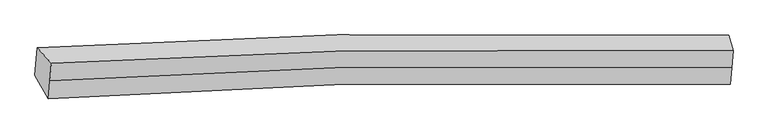
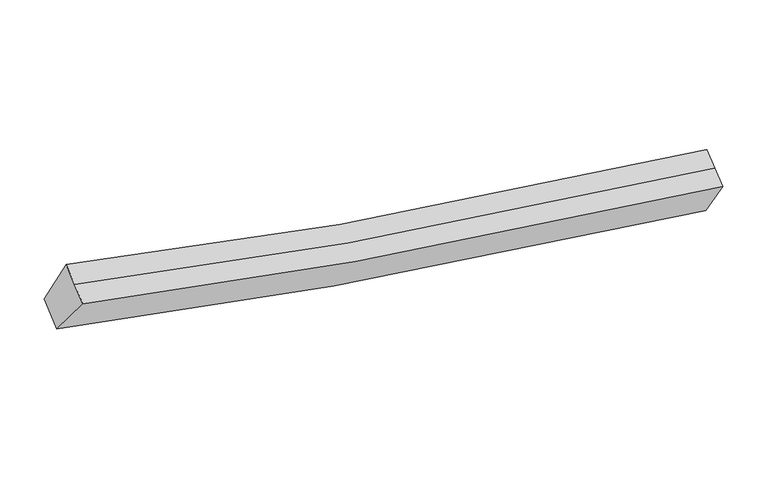
"""IFC4 building model written with IfcOpenShell, lengths in millimetres: proxy geometry."""

from ifc_helpers import new_model, si_unit, frame, origin, place, context, project, spatial, source, transform, mapped, element, save
from ifc_brep_helpers import plane_surface, spline_curve, spline_surface, advanced_brep


def generic_models_1c305ca0(model_context):
    return source(origin(), model_context, "Body", "AdvancedBrep", [
        advanced_brep(
        [(-4735.6046265, -1829.0727443, 3878.326033), (-4515.0712206, -2067.2286482, 4538.623517), (6030.7318528, -1878.7006118, 2711.6757139), (5962.937913, -1634.7523704, 2020.8506837), (-4537.7815846, -2343.1342046, 4372.6453234), (6009.4286518, -2137.5107093, 2555.9817401), (-4560.4919485, -2619.0397609, 4206.6671298), (5988.1254509, -2396.3208067, 2400.2877663), (-4770.3675495, -2251.4034304, 3624.2619782), (5930.989316, -2022.8921387, 1787.3550685)],
        [
            (0, 1),
            (1, 2, spline_curve(3, [(-4515.0712206, -2067.2286482, 4538.623517), (-3001.887816784, -1973.634741167, 4135.819459559), (-1477.471618844, -1908.969715243, 3792.64526309), (2030.499540999, -1827.335588073, 3144.92865691), (4021.351034729, -1829.157935065, 2879.120252348), (6030.7318528, -1878.7006118, 2711.6757139)], [4, 2, 4], [0.0, 15.508877667818783, 35.427819674293445])),
            (2, 3),
            (3, 0, spline_curve(3, [(5962.937913, -1634.7523704, 2020.8506837), (3924.209114714, -1584.659448827, 2191.396157226), (1904.415893719, -1583.206572448, 2461.77875476), (-1654.308446129, -1667.133647153, 3120.251353276), (-3200.696072534, -1733.359981314, 3469.027205508), (-4735.6046265, -1829.0727443, 3878.326033)], [4, 2, 4], [0.0, 19.918942006474662, 35.427819674293445])),
            (1, 4),
            (4, 5, spline_curve(3, [(-4537.7815846, -2343.1342046, 4372.6453234), (-3023.923793748, -2241.34724254, 3974.770012096), (-1499.038541012, -2170.983730101, 3635.023888825), (2009.535052464, -2082.030710333, 2991.710154186), (4000.386545798, -2083.853057357, 2725.901749986), (6009.4286518, -2137.5107093, 2555.9817401)], [4, 2, 4], [0.0, 15.396678011008387, 35.171515556475526])),
            (5, 2),
            (4, 6),
            (6, 7, spline_curve(3, [(-4560.4919485, -2619.0397609, 4206.6671298), (-3045.959770007, -2509.059743958, 3813.720564868), (-1520.605463479, -2432.99774553, 3477.40251458), (1988.570564085, -2336.725832089, 2838.491651436), (3979.422056703, -2338.548179545, 2572.683246594), (5988.1254509, -2396.3208067, 2400.2877663)], [4, 2, 4], [0.0, 15.396522615452124, 35.171160577484564])),
            (7, 5),
            (6, 8),
            (8, 9, spline_curve(3, [(-4770.3675495, -2251.4034304, 3624.2619782), (-3234.11022041, -2139.304557544, 3224.820643236), (-1686.784485602, -2061.681250829, 2882.90093723), (1873.144721598, -1963.116390108, 2233.234081604), (3892.937942313, -1964.569266433, 1962.851484271), (5930.989316, -2022.8921387, 1787.3550685)], [4, 2, 4], [0.0, 15.508569120247053, 35.42711484136057])),
            (9, 7),
            (8, 0),
            (3, 9),
        ],
        [
            spline_surface(3, 3, [[(-4735.6046265, -1829.0727443, 3878.326033), (-3200.696072292, -1733.359981243, 3469.027205762), (-1654.308446325, -1667.133647092, 3120.251353241), (1904.41589397, -1583.206572526, 2461.778754806), (3924.209114527, -1584.659448709, 2191.396157551), (5962.937913, -1634.7523704, 2020.8506837)], [(-4662.093491204, -1908.458045629, 4098.425194337), (-3134.426653873, -1813.451567857, 3691.29129041), (-1595.36283724, -1747.745669758, 3344.382656511), (1946.443776394, -1664.582911071, 2689.495388864), (3956.589754502, -1666.158944258, 2420.63752256), (5985.535892946, -1716.068450896, 2251.125693756)], [(-4588.582355896, -1987.843346871, 4318.524355663), (-3068.157235442, -1893.543154383, 3913.555375046), (-1536.417228135, -1828.357692471, 3568.513959772), (1988.471658839, -1745.959249663, 2917.212022913), (3988.970394439, -1747.658439718, 2649.878887602), (6008.133872854, -1797.384531304, 2481.400703844)], [(-4515.0712206, -2067.2286482, 4538.623517), (-3001.887817023, -1973.634740998, 4135.819459694), (-1477.47161905, -1908.969715137, 3792.645263042), (2030.499541263, -1827.335588208, 3144.928656971), (4021.351034414, -1829.157935267, 2879.120252611), (6030.7318528, -1878.7006118, 2711.6757139)]], [4, 4], [4, 2, 4], [0.0, 2.413910795073686], [0.0, 15.508877667818783, 35.427819674293445]),
            spline_surface(3, 3, [[(-4515.0712206, -2067.2286482, 4538.623517), (-3001.887817023, -1973.634740998, 4135.819459694), (-1477.47161905, -1908.969715137, 3792.645263042), (2030.499541263, -1827.335588208, 3144.928656971), (4021.351034414, -1829.157935267, 2879.120252611), (6030.7318528, -1878.7006118, 2711.6757139)], [(-4522.641341922, -2159.19716698, 4483.29745246), (-3009.23314251, -2062.872241474, 4082.136310545), (-1484.660593092, -1996.307720179, 3740.104804983), (2023.51137836, -1912.233962208, 3093.855822684), (4014.362871511, -1914.056309267, 2828.047418324), (6023.630785816, -1964.970644279, 2659.777722629)], [(-4530.211463278, -2251.16568582, 4427.97138794), (-3016.578468033, -2152.109742008, 4028.453161416), (-1491.849567081, -2083.645725185, 3687.564346934), (2016.523215509, -1997.132336172, 3042.782988409), (4007.374708561, -1998.95468333, 2776.974584049), (6016.529718784, -2051.240676821, 2607.879731371)], [(-4537.7815846, -2343.1342046, 4372.6453234), (-3023.92379352, -2241.347242484, 3974.770012267), (-1499.038541123, -2170.983730227, 3635.023888875), (2009.535052606, -2082.030710171, 2991.710154122), (4000.386545657, -2083.85305733, 2725.901749762), (6009.4286518, -2137.5107093, 2555.9817401)]], [4, 4], [4, 2, 4], [0.0, 0.988715513395337], [0.0, 15.396678011008387, 35.171515556475526]),
            spline_surface(3, 3, [[(-4537.7815846, -2343.1342046, 4372.6453234), (-3023.92379352, -2241.347242484, 3974.770012267), (-1499.038541123, -2170.983730227, 3635.023888875), (2009.535052606, -2082.030710171, 2991.710154122), (4000.386545657, -2083.85305733, 2725.901749762), (6009.4286518, -2137.5107093, 2555.9817401)], [(-4545.351705921, -2435.10272338, 4317.31925886), (-3031.269119008, -2330.58474296, 3921.086863117), (-1506.227515164, -2258.321735269, 3582.483430815), (2002.546889703, -2166.929084171, 2940.637319835), (3993.398382754, -2168.75143133, 2674.828915475), (6002.327584816, -2223.780741779, 2504.083748829)], [(-4552.921827179, -2527.07124212, 4261.99319434), (-3038.614444431, -2419.822243395, 3867.403713989), (-1513.416489254, -2345.659740375, 3529.942972767), (1995.558726752, -2251.827458235, 2889.564485559), (3986.410219903, -2253.649805294, 2623.756081199), (5995.226517884, -2310.050774221, 2452.185757571)], [(-4560.4919485, -2619.0397609, 4206.6671298), (-3045.959769918, -2509.059743871, 3813.720564839), (-1520.605463295, -2432.997745417, 3477.402514707), (1988.570563849, -2336.725832235, 2838.491651272), (3979.422057, -2338.548179294, 2572.683246912), (5988.1254509, -2396.3208067, 2400.2877663)]], [4, 4], [4, 2, 4], [0.0, 0.9887155133953315], [0.0, 15.396522615452124, 35.171160577484564]),
            spline_surface(3, 3, [[(-4560.4919485, -2619.0397609, 4206.6671298), (-3045.959769918, -2509.059743871, 3813.720564839), (-1520.605463295, -2432.997745417, 3477.402514707), (1988.570563849, -2336.725832235, 2838.491651272), (3979.422057, -2338.548179294, 2572.683246912), (5988.1254509, -2396.3208067, 2400.2877663)], [(-4630.450482135, -2496.494317392, 4012.532079263), (-3108.676586676, -2385.808015078, 3617.420590991), (-1575.998470719, -2309.225580573, 3279.235322237), (1950.095283086, -2212.189351511, 2636.739128014), (3950.594018686, -2213.888541566, 2369.405992703), (5969.080072615, -2271.844584025, 2195.976867044)], [(-4700.409015865, -2373.948873908, 3818.397028737), (-3171.393403529, -2262.556286309, 3421.120617155), (-1631.391478146, -2185.453415716, 3081.068129776), (1911.620002319, -2087.652870776, 2434.986604765), (3921.765980327, -2089.228903863, 2166.128738461), (5950.034694285, -2147.368361375, 1991.665967756)], [(-4770.3675495, -2251.4034304, 3624.2619782), (-3234.110220287, -2139.304557516, 3224.820643306), (-1686.78448557, -2061.681250872, 2882.900937306), (1873.144721556, -1963.116390053, 2233.234081507), (3892.937942013, -1964.569266136, 1962.851484252), (5930.989316, -2022.8921387, 1787.3550685)]], [4, 4], [4, 2, 4], [0.0, 2.3621974511949566], [0.0, 15.508569120247053, 35.42711484136057]),
            spline_surface(3, 3, [[(-4770.3675495, -2251.4034304, 3624.2619782), (-3234.110220287, -2139.304557516, 3224.820643306), (-1686.78448557, -2061.681250872, 2882.900937306), (1873.144721556, -1963.116390053, 2233.234081507), (3892.937942013, -1964.569266136, 1962.851484252), (5930.989316, -2022.8921387, 1787.3550685)], [(-4758.779908518, -2110.626535017, 3708.949996481), (-3222.972170973, -2003.989698742, 3306.222830806), (-1675.959139147, -1930.165382966, 2962.017742625), (1883.568445701, -1836.479784231, 2309.415639281), (3903.361666158, -1837.932660314, 2039.033042026), (5941.638848307, -1893.512215921, 1865.186940241)], [(-4747.192267482, -1969.849639683, 3793.638014719), (-3211.834121606, -1868.674840017, 3387.625018262), (-1665.133792747, -1798.649514998, 3041.134547922), (1893.992169825, -1709.843178348, 2385.597197032), (3913.785390381, -1711.296054531, 2115.214599777), (5952.288380693, -1764.132293179, 1943.018811959)], [(-4735.6046265, -1829.0727443, 3878.326033), (-3200.696072292, -1733.359981243, 3469.027205762), (-1654.308446325, -1667.133647092, 3120.251353241), (1904.41589397, -1583.206572526, 2461.778754806), (3924.209114527, -1584.659448709, 2191.396157551), (5962.937913, -1634.7523704, 2020.8506837)]], [4, 4], [4, 2, 4], [0.0, 1.4804516226488404], [0.0, 15.62072651116741, 35.68332240877925]),
            plane_surface(frame((5978.1961332, -1983.1664819, 2230.0423081), z_axis=(0.9943602952228714, -0.019089975806160196, -0.1043224621450449), x_axis=(-0.07935574285423153, 0.5186509278106237, -0.8512954135652513))),
            plane_surface(frame((-4645.3838363, -2191.686146, 4061.9696645), z_axis=(-0.9539816783605084, -0.09297693226908417, 0.2850863858873268), x_axis=(-0.07035815063191297, -0.8547729452345185, -0.5142109904842213))),
        ],
        [
            (0, [[1, 2, 3, 4]]),
            (1, [[5, 6, 7, -2]]),
            (2, [[8, 9, 10, -6]]),
            (3, [[11, 12, 13, -9]]),
            (4, [[14, -4, 15, -12]]),
            (5, [[-13, -15, -3, -7, -10]]),
            (6, [[-14, -11, -8, -5, -1]]),
        ],
    ),
    ])


if __name__ == "__main__":
    model = new_model("IFC4")
    model_context = context("Model", 3, world=origin())
    ifc_project = project(units=[si_unit("LENGTHUNIT", "METRE", prefix="MILLI")], contexts=[model_context])
    site = spatial("IfcSite", under=ifc_project)
    building = spatial("IfcBuilding", under=site)
    placement = place(None, origin())
    generic_models_shape = generic_models_1c305ca0(model_context)
    element("IfcBuildingElementProxy", 1, Name="Generic Models", at=placement, inside=building, context=model_context, shape_type="MappedRepresentation", body=[
        mapped(generic_models_shape, transform((0.0, 0.0, 0.0), x_axis=(1.0, 0.0, 0.0), y_axis=(0.0, 1.0, 0.0), z_axis=(0.0, 0.0, 1.0))),
    ])
    save(model, "model.ifc")
